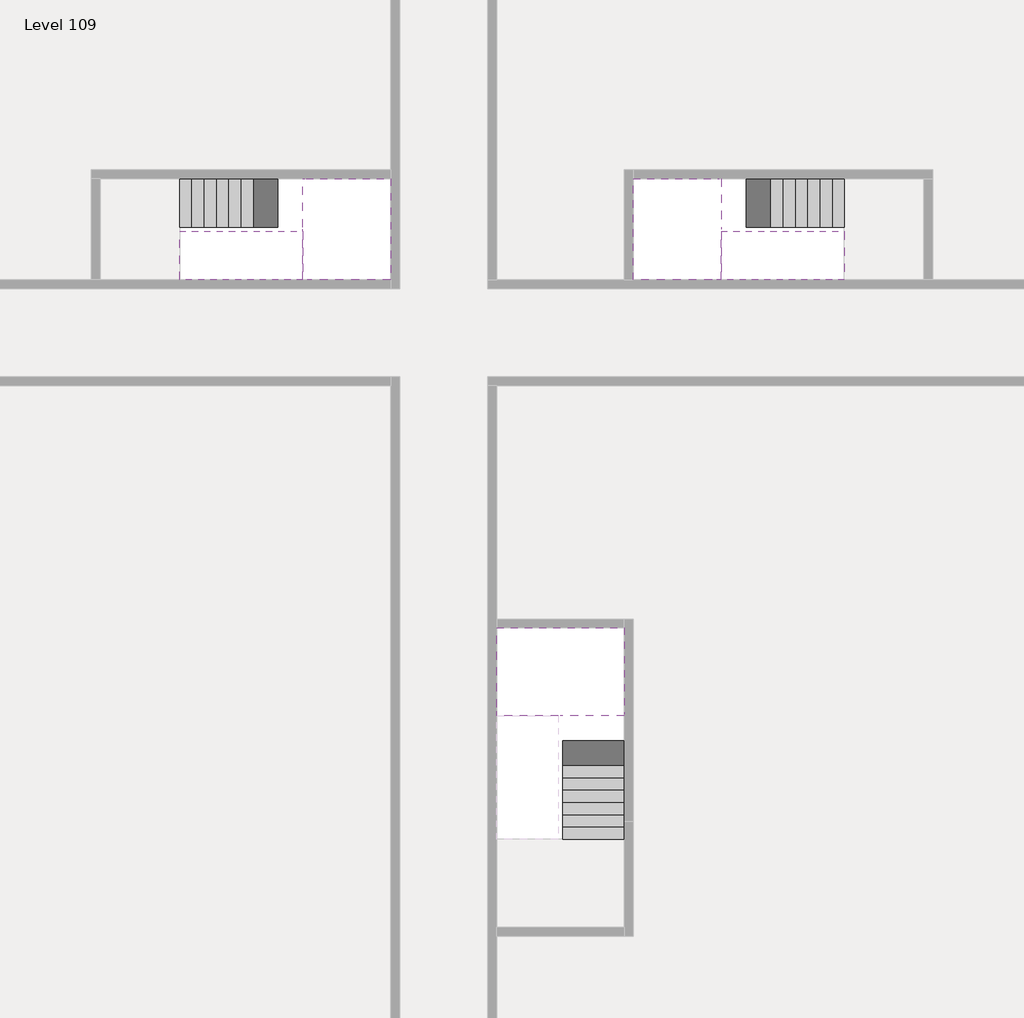
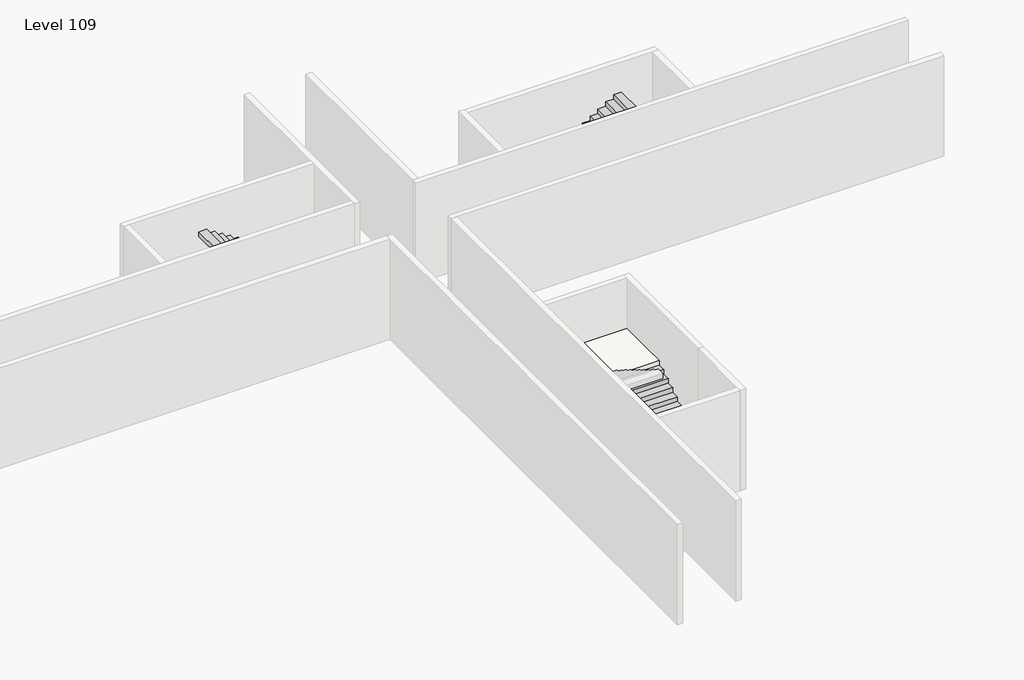
# One storey, part 2 of 2: 5 stair flights, 3 slabs.
"""IFC4 building model written with IfcOpenShell, lengths in millimetres."""

from ifc_helpers import new_model, si_unit, origin, place, context, project, spatial, faceted_brep, element, save

model = new_model("IFC4")

# Units and contexts
model_context = context("Model", 3, world=origin())
ifc_project = project(units=[si_unit("LENGTHUNIT", "METRE", prefix="MILLI")], contexts=[model_context])

# Site, building, storey
site = spatial("IfcSite", under=ifc_project)
building = spatial("IfcBuilding", under=site)
storey = spatial("IfcBuildingStorey", under=building, Name="Level 109", Elevation=410400.0)

# Slabs
placement = place(None, origin())
element("IfcSlab", 1, at=placement, inside=storey, context=model_context, shape_type="Brep", body=[
    faceted_brep([(26890.1058784, -40418.09644, 412300.0), (28290.1058784, -40418.09644, 412300.0), (28290.1058784, -40338.7100038, 412300.0), (28290.1058784, -38418.09644, 412300.0), (25390.1058784, -38418.09644, 412300.0), (25390.1058784, -40217.4828763, 412300.0), (25390.1058784, -40418.09644, 412300.0), (26790.1058784, -40418.09644, 412300.0), (26890.1058784, -40418.09644, 412000.0), (26890.1058784, -40418.09644, 411951.0278478), (28290.1058784, -40418.09644, 411951.0278478), (28290.1058784, -40418.09644, 412127.2727273), (28290.1058784, -40338.7100038, 412000.0), (28290.1058784, -38418.09644, 412000.0), (25390.1058784, -38418.09644, 412000.0), (25390.1058784, -40217.4828763, 412000.0), (25390.1058784, -40418.09644, 412123.7551205), (26790.1058784, -40418.09644, 412123.7551205), (26790.1058784, -40418.09644, 412000.0), (26790.1058784, -40217.4828763, 412000.0), (26890.1058784, -40338.7100038, 412000.0)], [[[0, 1, 2, 3, 4, 5, 6, 7]], [[1, 0, 8, 9, 10, 11]], [[1, 11, 10, 12, 13, 3, 2]], [[4, 3, 13, 14]], [[4, 14, 15, 16, 6, 5]], [[7, 6, 16, 17]], [[0, 7, 17, 18, 8]], [[18, 19, 15, 14, 13, 12, 20, 8]], [[19, 18, 17]], [[20, 12, 10, 9]], [[8, 20, 9]], [[15, 19, 17, 16]]]),
])
element("IfcSlab", 2, at=placement, inside=storey, context=model_context, shape_type="Brep", body=[
    faceted_brep([(20990.1058784, -28218.09644, 412300.0), (20990.1058784, -29318.09644, 412300.0), (20990.1058784, -29418.09644, 412300.0), (20990.1058784, -30518.09644, 412300.0), (21190.7194421, -30518.09644, 412300.0), (22990.1058784, -30518.09644, 412300.0), (22990.1058784, -28218.09644, 412300.0), (21069.4923146, -28218.09644, 412300.0), (20990.1058784, -28218.09644, 412127.2727273), (20990.1058784, -28218.09644, 411951.0278478), (20990.1058784, -29318.09644, 411951.0278478), (20990.1058784, -29318.09644, 412000.0), (20990.1058784, -29418.09644, 412000.0), (20990.1058784, -29418.09644, 412123.7551205), (20990.1058784, -30518.09644, 412123.7551205), (21190.7194421, -30518.09644, 412000.0), (22990.1058784, -30518.09644, 412000.0), (22990.1058784, -28218.09644, 412000.0), (21069.4923146, -28218.09644, 412000.0), (21190.7194421, -29418.09644, 412000.0), (21069.4923146, -29318.09644, 412000.0)], [[[0, 1, 2, 3, 4, 5, 6, 7]], [[1, 0, 8, 9, 10, 11]], [[2, 1, 11, 12, 13]], [[3, 2, 13, 14]], [[3, 14, 15, 16, 5, 4]], [[6, 5, 16, 17]], [[9, 8, 0, 7, 6, 17, 18]], [[19, 12, 11, 20, 18, 17, 16, 15]], [[12, 19, 13]], [[18, 20, 10, 9]], [[20, 11, 10]], [[19, 15, 14, 13]]]),
])
element("IfcSlab", 3, at=placement, inside=storey, context=model_context, shape_type="Brep", body=[
    faceted_brep([(30490.1058784, -29318.09644, 412300.0), (30490.1058784, -28218.09644, 412300.0), (30410.7194421, -28218.09644, 412300.0), (28490.1058784, -28218.09644, 412300.0), (28490.1058784, -30518.09644, 412300.0), (30289.4923146, -30518.09644, 412300.0), (30490.1058784, -30518.09644, 412300.0), (30490.1058784, -29418.09644, 412300.0), (30490.1058784, -29318.09644, 412000.0), (30490.1058784, -29318.09644, 411951.0278478), (30490.1058784, -28218.09644, 411951.0278478), (30490.1058784, -28218.09644, 412127.2727273), (30490.1058784, -29418.09644, 412123.7551205), (30490.1058784, -29418.09644, 412000.0), (30490.1058784, -30518.09644, 412123.7551205), (28490.1058784, -30518.09644, 412000.0), (30289.4923146, -30518.09644, 412000.0), (28490.1058784, -28218.09644, 412000.0), (30410.7194421, -28218.09644, 412000.0), (30289.4923146, -29418.09644, 412000.0), (30410.7194421, -29318.09644, 412000.0)], [[[0, 1, 2, 3, 4, 5, 6, 7]], [[1, 0, 8, 9, 10, 11]], [[0, 7, 12, 13, 8]], [[7, 6, 14, 12]], [[4, 15, 16, 14, 6, 5]], [[4, 3, 17, 15]], [[1, 11, 10, 18, 17, 3, 2]], [[13, 19, 16, 15, 17, 18, 20, 8]], [[20, 18, 10, 9]], [[8, 20, 9]], [[16, 19, 12, 14]], [[19, 13, 12]]]),
])

# Stair flights
element("IfcStairFlight", 4, at=placement, inside=storey, context=model_context, shape_type="Brep", body=[
    faceted_brep([(26890.1058784, -42938.09644, 410572.7272727), (26890.1058784, -43218.09644, 410572.7272727), (28290.1058784, -43218.09644, 410572.7272727), (28290.1058784, -42938.09644, 410572.7272727), (26890.1058784, -42938.09644, 410400.0), (26890.1058784, -43218.09644, 410400.0), (28290.1058784, -43218.09644, 410400.0), (28290.1058784, -42938.09644, 410400.0), (26890.1058784, -42658.09644, 410745.4545455), (26890.1058784, -42938.09644, 410745.4545455), (28290.1058784, -42938.09644, 410745.4545455), (28290.1058784, -42658.09644, 410745.4545455), (26890.1058784, -42658.09644, 410569.209666), (26890.1058784, -42932.3942143, 410400.0), (28290.1058784, -42932.3942143, 410400.0), (28290.1058784, -42658.09644, 410569.209666), (26890.1058784, -42378.09644, 410918.1818182), (26890.1058784, -42658.09644, 410918.1818182), (28290.1058784, -42658.09644, 410918.1818182), (28290.1058784, -42378.09644, 410918.1818182), (26890.1058784, -42378.09644, 410741.9369387), (28290.1058784, -42378.09644, 410741.9369387), (26890.1058784, -42098.09644, 411090.9090909), (26890.1058784, -42378.09644, 411090.9090909), (28290.1058784, -42378.09644, 411090.9090909), (28290.1058784, -42098.09644, 411090.9090909), (26890.1058784, -42098.09644, 410914.6642114), (28290.1058784, -42098.09644, 410914.6642114), (26890.1058784, -41818.09644, 411263.6363636), (26890.1058784, -42098.09644, 411263.6363636), (28290.1058784, -42098.09644, 411263.6363636), (28290.1058784, -41818.09644, 411263.6363636), (26890.1058784, -41818.09644, 411087.3914841), (28290.1058784, -41818.09644, 411087.3914841), (26890.1058784, -41538.09644, 411436.3636364), (26890.1058784, -41818.09644, 411436.3636364), (28290.1058784, -41818.09644, 411436.3636364), (28290.1058784, -41538.09644, 411436.3636364), (26890.1058784, -41538.09644, 411260.1187569), (28290.1058784, -41538.09644, 411260.1187569), (26890.1058784, -41258.09644, 411609.0909091), (26890.1058784, -41538.09644, 411609.0909091), (28290.1058784, -41538.09644, 411609.0909091), (28290.1058784, -41258.09644, 411609.0909091), (26890.1058784, -41258.09644, 411432.8460296), (28290.1058784, -41258.09644, 411432.8460296), (26890.1058784, -40978.09644, 411781.8181818), (26890.1058784, -41258.09644, 411781.8181818), (28290.1058784, -41258.09644, 411781.8181818), (28290.1058784, -40978.09644, 411781.8181818), (26890.1058784, -40978.09644, 411605.5733023), (28290.1058784, -40978.09644, 411605.5733023), (26890.1058784, -40698.09644, 411954.5454545), (26890.1058784, -40978.09644, 411954.5454545), (28290.1058784, -40978.09644, 411954.5454545), (28290.1058784, -40698.09644, 411954.5454545), (26890.1058784, -40698.09644, 411778.3005751), (28290.1058784, -40698.09644, 411778.3005751), (26890.1058784, -40418.09644, 412127.2727273), (26890.1058784, -40698.09644, 412127.2727273), (28290.1058784, -40698.09644, 412127.2727273), (28290.1058784, -40418.09644, 412127.2727273), (26890.1058784, -40418.09644, 412000.0), (26890.1058784, -40418.09644, 411951.0278478), (28290.1058784, -40418.09644, 411951.0278478)], [[[0, 1, 2, 3]], [[1, 0, 4, 5]], [[2, 1, 5, 6]], [[3, 2, 6, 7]], [[8, 9, 10, 11]], [[4, 0, 9, 8, 12, 13]], [[0, 3, 10, 9]], [[3, 7, 14, 15, 11, 10]], [[16, 17, 18, 19]], [[17, 16, 20, 12, 8]], [[8, 11, 18, 17]], [[19, 18, 11, 15, 21]], [[22, 23, 24, 25]], [[23, 22, 26, 20, 16]], [[16, 19, 24, 23]], [[25, 24, 19, 21, 27]], [[28, 29, 30, 31]], [[29, 28, 32, 26, 22]], [[22, 25, 30, 29]], [[31, 30, 25, 27, 33]], [[34, 35, 36, 37]], [[35, 34, 38, 32, 28]], [[28, 31, 36, 35]], [[37, 36, 31, 33, 39]], [[40, 41, 42, 43]], [[41, 40, 44, 38, 34]], [[34, 37, 42, 41]], [[43, 42, 37, 39, 45]], [[46, 47, 48, 49]], [[47, 46, 50, 44, 40]], [[40, 43, 48, 47]], [[49, 48, 43, 45, 51]], [[52, 53, 54, 55]], [[53, 52, 56, 50, 46]], [[46, 49, 54, 53]], [[55, 54, 49, 51, 57]], [[58, 59, 60, 61]], [[59, 58, 62, 63, 56, 52]], [[52, 55, 60, 59]], [[61, 60, 55, 57, 64]], [[58, 61, 64, 63, 62]], [[5, 4, 13, 14, 7, 6]], [[14, 13, 12, 20, 26, 32, 38, 44, 50, 56, 63, 64, 57, 51, 45, 39, 33, 27, 21, 15]]]),
])
element("IfcStairFlight", 5, at=placement, inside=storey, context=model_context, shape_type="Brep", body=[
    faceted_brep([(18470.1058784, -28218.09644, 410572.7272727), (18190.1058784, -28218.09644, 410572.7272727), (18190.1058784, -29318.09644, 410572.7272727), (18470.1058784, -29318.09644, 410572.7272727), (18470.1058784, -28218.09644, 410400.0), (18190.1058784, -28218.09644, 410400.0), (18190.1058784, -29318.09644, 410400.0), (18470.1058784, -29318.09644, 410400.0), (18750.1058784, -28218.09644, 410745.4545455), (18470.1058784, -28218.09644, 410745.4545455), (18470.1058784, -29318.09644, 410745.4545455), (18750.1058784, -29318.09644, 410745.4545455), (18750.1058784, -28218.09644, 410569.209666), (18475.8081041, -28218.09644, 410400.0), (18475.8081041, -29318.09644, 410400.0), (18750.1058784, -29318.09644, 410569.209666), (19030.1058784, -28218.09644, 410918.1818182), (18750.1058784, -28218.09644, 410918.1818182), (18750.1058784, -29318.09644, 410918.1818182), (19030.1058784, -29318.09644, 410918.1818182), (19030.1058784, -28218.09644, 410741.9369387), (19030.1058784, -29318.09644, 410741.9369387), (19310.1058784, -28218.09644, 411090.9090909), (19030.1058784, -28218.09644, 411090.9090909), (19030.1058784, -29318.09644, 411090.9090909), (19310.1058784, -29318.09644, 411090.9090909), (19310.1058784, -28218.09644, 410914.6642114), (19310.1058784, -29318.09644, 410914.6642114), (19590.1058784, -28218.09644, 411263.6363636), (19310.1058784, -28218.09644, 411263.6363636), (19310.1058784, -29318.09644, 411263.6363636), (19590.1058784, -29318.09644, 411263.6363636), (19590.1058784, -28218.09644, 411087.3914841), (19590.1058784, -29318.09644, 411087.3914841), (19870.1058784, -28218.09644, 411436.3636364), (19590.1058784, -28218.09644, 411436.3636364), (19590.1058784, -29318.09644, 411436.3636364), (19870.1058784, -29318.09644, 411436.3636364), (19870.1058784, -28218.09644, 411260.1187569), (19870.1058784, -29318.09644, 411260.1187569), (20150.1058784, -28218.09644, 411609.0909091), (19870.1058784, -28218.09644, 411609.0909091), (19870.1058784, -29318.09644, 411609.0909091), (20150.1058784, -29318.09644, 411609.0909091), (20150.1058784, -28218.09644, 411432.8460296), (20150.1058784, -29318.09644, 411432.8460296), (20430.1058784, -28218.09644, 411781.8181818), (20150.1058784, -28218.09644, 411781.8181818), (20150.1058784, -29318.09644, 411781.8181818), (20430.1058784, -29318.09644, 411781.8181818), (20430.1058784, -28218.09644, 411605.5733023), (20430.1058784, -29318.09644, 411605.5733023), (20710.1058784, -28218.09644, 411954.5454545), (20430.1058784, -28218.09644, 411954.5454545), (20430.1058784, -29318.09644, 411954.5454545), (20710.1058784, -29318.09644, 411954.5454545), (20710.1058784, -28218.09644, 411778.3005751), (20710.1058784, -29318.09644, 411778.3005751), (20990.1058784, -28218.09644, 412127.2727273), (20710.1058784, -28218.09644, 412127.2727273), (20710.1058784, -29318.09644, 412127.2727273), (20990.1058784, -29318.09644, 412127.2727273), (20990.1058784, -28218.09644, 411951.0278478), (20990.1058784, -29318.09644, 411951.0278478), (20990.1058784, -29318.09644, 412000.0)], [[[0, 1, 2, 3]], [[1, 0, 4, 5]], [[2, 1, 5, 6]], [[3, 2, 6, 7]], [[8, 9, 10, 11]], [[4, 0, 9, 8, 12, 13]], [[0, 3, 10, 9]], [[3, 7, 14, 15, 11, 10]], [[16, 17, 18, 19]], [[17, 16, 20, 12, 8]], [[8, 11, 18, 17]], [[19, 18, 11, 15, 21]], [[22, 23, 24, 25]], [[23, 22, 26, 20, 16]], [[16, 19, 24, 23]], [[25, 24, 19, 21, 27]], [[28, 29, 30, 31]], [[29, 28, 32, 26, 22]], [[22, 25, 30, 29]], [[31, 30, 25, 27, 33]], [[34, 35, 36, 37]], [[35, 34, 38, 32, 28]], [[28, 31, 36, 35]], [[37, 36, 31, 33, 39]], [[40, 41, 42, 43]], [[41, 40, 44, 38, 34]], [[34, 37, 42, 41]], [[43, 42, 37, 39, 45]], [[46, 47, 48, 49]], [[47, 46, 50, 44, 40]], [[40, 43, 48, 47]], [[49, 48, 43, 45, 51]], [[52, 53, 54, 55]], [[53, 52, 56, 50, 46]], [[46, 49, 54, 53]], [[55, 54, 49, 51, 57]], [[58, 59, 60, 61]], [[59, 58, 62, 56, 52]], [[52, 55, 60, 59]], [[61, 60, 55, 57, 63, 64]], [[58, 61, 64, 63, 62]], [[5, 4, 13, 14, 7, 6]], [[14, 13, 12, 20, 26, 32, 38, 44, 50, 56, 62, 63, 57, 51, 45, 39, 33, 27, 21, 15]]]),
])
element("IfcStairFlight", 6, at=placement, inside=storey, context=model_context, shape_type="Brep", body=[
    faceted_brep([(20710.1058784, -30518.09644, 412472.7272727), (20990.1058784, -30518.09644, 412472.7272727), (20990.1058784, -29418.09644, 412472.7272727), (20710.1058784, -29418.09644, 412472.7272727), (20710.1058784, -30518.09644, 412296.4823932), (20990.1058784, -30518.09644, 412123.7551205), (20990.1058784, -30518.09644, 412300.0), (20990.1058784, -29418.09644, 412123.7551205), (20710.1058784, -29418.09644, 412296.4823932), (20430.1058784, -30518.09644, 412645.4545455), (20710.1058784, -30518.09644, 412645.4545455), (20710.1058784, -29418.09644, 412645.4545455), (20430.1058784, -29418.09644, 412645.4545455), (20430.1058784, -30518.09644, 412469.209666), (20430.1058784, -29418.09644, 412469.209666), (20150.1058784, -30518.09644, 412818.1818182), (20430.1058784, -30518.09644, 412818.1818182), (20430.1058784, -29418.09644, 412818.1818182), (20150.1058784, -29418.09644, 412818.1818182), (20150.1058784, -30518.09644, 412641.9369387), (20150.1058784, -29418.09644, 412641.9369387), (19870.1058784, -30518.09644, 412990.9090909), (20150.1058784, -30518.09644, 412990.9090909), (20150.1058784, -29418.09644, 412990.9090909), (19870.1058784, -29418.09644, 412990.9090909), (19870.1058784, -30518.09644, 412814.6642114), (19870.1058784, -29418.09644, 412814.6642114), (19590.1058784, -30518.09644, 413163.6363636), (19870.1058784, -30518.09644, 413163.6363636), (19870.1058784, -29418.09644, 413163.6363636), (19590.1058784, -29418.09644, 413163.6363636), (19590.1058784, -30518.09644, 412987.3914841), (19590.1058784, -29418.09644, 412987.3914841), (19310.1058784, -30518.09644, 413336.3636364), (19590.1058784, -30518.09644, 413336.3636364), (19590.1058784, -29418.09644, 413336.3636364), (19310.1058784, -29418.09644, 413336.3636364), (19310.1058784, -30518.09644, 413160.1187569), (19310.1058784, -29418.09644, 413160.1187569), (19030.1058784, -30518.09644, 413509.0909091), (19310.1058784, -30518.09644, 413509.0909091), (19310.1058784, -29418.09644, 413509.0909091), (19030.1058784, -29418.09644, 413509.0909091), (19030.1058784, -30518.09644, 413332.8460296), (19030.1058784, -29418.09644, 413332.8460296), (18750.1058784, -30518.09644, 413681.8181818), (19030.1058784, -30518.09644, 413681.8181818), (19030.1058784, -29418.09644, 413681.8181818), (18750.1058784, -29418.09644, 413681.8181818), (18750.1058784, -30518.09644, 413505.5733023), (18750.1058784, -29418.09644, 413505.5733023), (18470.1058784, -30518.09644, 413854.5454545), (18750.1058784, -30518.09644, 413854.5454545), (18750.1058784, -29418.09644, 413854.5454545), (18470.1058784, -29418.09644, 413854.5454545), (18470.1058784, -30518.09644, 413678.3005751), (18470.1058784, -29418.09644, 413678.3005751), (18190.1058784, -30518.09644, 414027.2727273), (18470.1058784, -30518.09644, 414027.2727273), (18470.1058784, -29418.09644, 414027.2727273), (18190.1058784, -29418.09644, 414027.2727273), (18190.1058784, -30518.09644, 413851.0278478), (18190.1058784, -29418.09644, 413851.0278478)], [[[0, 1, 2, 3]], [[1, 0, 4, 5, 6]], [[2, 1, 6, 5, 7]], [[3, 2, 7, 8]], [[9, 10, 11, 12]], [[10, 9, 13, 4, 0]], [[11, 10, 0, 3]], [[12, 11, 3, 8, 14]], [[15, 16, 17, 18]], [[16, 15, 19, 13, 9]], [[17, 16, 9, 12]], [[18, 17, 12, 14, 20]], [[21, 22, 23, 24]], [[22, 21, 25, 19, 15]], [[23, 22, 15, 18]], [[24, 23, 18, 20, 26]], [[27, 28, 29, 30]], [[28, 27, 31, 25, 21]], [[29, 28, 21, 24]], [[30, 29, 24, 26, 32]], [[33, 34, 35, 36]], [[34, 33, 37, 31, 27]], [[35, 34, 27, 30]], [[36, 35, 30, 32, 38]], [[39, 40, 41, 42]], [[40, 39, 43, 37, 33]], [[41, 40, 33, 36]], [[42, 41, 36, 38, 44]], [[45, 46, 47, 48]], [[46, 45, 49, 43, 39]], [[47, 46, 39, 42]], [[48, 47, 42, 44, 50]], [[51, 52, 53, 54]], [[52, 51, 55, 49, 45]], [[53, 52, 45, 48]], [[54, 53, 48, 50, 56]], [[57, 58, 59, 60]], [[58, 57, 61, 55, 51]], [[59, 58, 51, 54]], [[60, 59, 54, 56, 62]], [[57, 60, 62, 61]], [[5, 4, 13, 19, 25, 31, 37, 43, 49, 55, 61, 62, 56, 50, 44, 38, 32, 26, 20, 14, 8, 7]]]),
])
element("IfcStairFlight", 7, at=placement, inside=storey, context=model_context, shape_type="Brep", body=[
    faceted_brep([(33010.1058784, -29318.09644, 410572.7272727), (33290.1058784, -29318.09644, 410572.7272727), (33290.1058784, -28218.09644, 410572.7272727), (33010.1058784, -28218.09644, 410572.7272727), (33290.1058784, -28218.09644, 410400.0), (33010.1058784, -28218.09644, 410400.0), (33290.1058784, -29318.09644, 410400.0), (33010.1058784, -29318.09644, 410400.0), (32730.1058784, -29318.09644, 410745.4545455), (33010.1058784, -29318.09644, 410745.4545455), (33010.1058784, -28218.09644, 410745.4545455), (32730.1058784, -28218.09644, 410745.4545455), (33004.4036527, -28218.09644, 410400.0), (32730.1058784, -28218.09644, 410569.209666), (32730.1058784, -29318.09644, 410569.209666), (33004.4036527, -29318.09644, 410400.0), (32450.1058784, -29318.09644, 410918.1818182), (32730.1058784, -29318.09644, 410918.1818182), (32730.1058784, -28218.09644, 410918.1818182), (32450.1058784, -28218.09644, 410918.1818182), (32450.1058784, -28218.09644, 410741.9369387), (32450.1058784, -29318.09644, 410741.9369387), (32170.1058784, -29318.09644, 411090.9090909), (32450.1058784, -29318.09644, 411090.9090909), (32450.1058784, -28218.09644, 411090.9090909), (32170.1058784, -28218.09644, 411090.9090909), (32170.1058784, -28218.09644, 410914.6642114), (32170.1058784, -29318.09644, 410914.6642114), (31890.1058784, -29318.09644, 411263.6363636), (32170.1058784, -29318.09644, 411263.6363636), (32170.1058784, -28218.09644, 411263.6363636), (31890.1058784, -28218.09644, 411263.6363636), (31890.1058784, -28218.09644, 411087.3914841), (31890.1058784, -29318.09644, 411087.3914841), (31610.1058784, -29318.09644, 411436.3636364), (31890.1058784, -29318.09644, 411436.3636364), (31890.1058784, -28218.09644, 411436.3636364), (31610.1058784, -28218.09644, 411436.3636364), (31610.1058784, -28218.09644, 411260.1187569), (31610.1058784, -29318.09644, 411260.1187569), (31330.1058784, -29318.09644, 411609.0909091), (31610.1058784, -29318.09644, 411609.0909091), (31610.1058784, -28218.09644, 411609.0909091), (31330.1058784, -28218.09644, 411609.0909091), (31330.1058784, -28218.09644, 411432.8460296), (31330.1058784, -29318.09644, 411432.8460296), (31050.1058784, -29318.09644, 411781.8181818), (31330.1058784, -29318.09644, 411781.8181818), (31330.1058784, -28218.09644, 411781.8181818), (31050.1058784, -28218.09644, 411781.8181818), (31050.1058784, -28218.09644, 411605.5733023), (31050.1058784, -29318.09644, 411605.5733023), (30770.1058784, -29318.09644, 411954.5454545), (31050.1058784, -29318.09644, 411954.5454545), (31050.1058784, -28218.09644, 411954.5454545), (30770.1058784, -28218.09644, 411954.5454545), (30770.1058784, -28218.09644, 411778.3005751), (30770.1058784, -29318.09644, 411778.3005751), (30490.1058784, -29318.09644, 412127.2727273), (30770.1058784, -29318.09644, 412127.2727273), (30770.1058784, -28218.09644, 412127.2727273), (30490.1058784, -28218.09644, 412127.2727273), (30490.1058784, -28218.09644, 411951.0278478), (30490.1058784, -29318.09644, 412000.0), (30490.1058784, -29318.09644, 411951.0278478)], [[[0, 1, 2, 3]], [[3, 2, 4, 5]], [[2, 1, 6, 4]], [[1, 0, 7, 6]], [[8, 9, 10, 11]], [[3, 5, 12, 13, 11, 10]], [[0, 3, 10, 9]], [[7, 0, 9, 8, 14, 15]], [[16, 17, 18, 19]], [[19, 18, 11, 13, 20]], [[8, 11, 18, 17]], [[17, 16, 21, 14, 8]], [[22, 23, 24, 25]], [[25, 24, 19, 20, 26]], [[16, 19, 24, 23]], [[23, 22, 27, 21, 16]], [[28, 29, 30, 31]], [[31, 30, 25, 26, 32]], [[22, 25, 30, 29]], [[29, 28, 33, 27, 22]], [[34, 35, 36, 37]], [[37, 36, 31, 32, 38]], [[28, 31, 36, 35]], [[35, 34, 39, 33, 28]], [[40, 41, 42, 43]], [[43, 42, 37, 38, 44]], [[34, 37, 42, 41]], [[41, 40, 45, 39, 34]], [[46, 47, 48, 49]], [[49, 48, 43, 44, 50]], [[40, 43, 48, 47]], [[47, 46, 51, 45, 40]], [[52, 53, 54, 55]], [[55, 54, 49, 50, 56]], [[46, 49, 54, 53]], [[53, 52, 57, 51, 46]], [[58, 59, 60, 61]], [[61, 60, 55, 56, 62]], [[52, 55, 60, 59]], [[59, 58, 63, 64, 57, 52]], [[58, 61, 62, 64, 63]], [[6, 7, 15, 12, 5, 4]], [[12, 15, 14, 21, 27, 33, 39, 45, 51, 57, 64, 62, 56, 50, 44, 38, 32, 26, 20, 13]]]),
])
element("IfcStairFlight", 8, at=placement, inside=storey, context=model_context, shape_type="Brep", body=[
    faceted_brep([(30770.1058784, -29418.09644, 412472.7272727), (30490.1058784, -29418.09644, 412472.7272727), (30490.1058784, -30518.09644, 412472.7272727), (30770.1058784, -30518.09644, 412472.7272727), (30490.1058784, -30518.09644, 412300.0), (30490.1058784, -30518.09644, 412123.7551205), (30770.1058784, -30518.09644, 412296.4823932), (30490.1058784, -29418.09644, 412123.7551205), (30770.1058784, -29418.09644, 412296.4823932), (31050.1058784, -29418.09644, 412645.4545455), (30770.1058784, -29418.09644, 412645.4545455), (30770.1058784, -30518.09644, 412645.4545455), (31050.1058784, -30518.09644, 412645.4545455), (31050.1058784, -30518.09644, 412469.209666), (31050.1058784, -29418.09644, 412469.209666), (31330.1058784, -29418.09644, 412818.1818182), (31050.1058784, -29418.09644, 412818.1818182), (31050.1058784, -30518.09644, 412818.1818182), (31330.1058784, -30518.09644, 412818.1818182), (31330.1058784, -30518.09644, 412641.9369387), (31330.1058784, -29418.09644, 412641.9369387), (31610.1058784, -29418.09644, 412990.9090909), (31330.1058784, -29418.09644, 412990.9090909), (31330.1058784, -30518.09644, 412990.9090909), (31610.1058784, -30518.09644, 412990.9090909), (31610.1058784, -30518.09644, 412814.6642114), (31610.1058784, -29418.09644, 412814.6642114), (31890.1058784, -29418.09644, 413163.6363636), (31610.1058784, -29418.09644, 413163.6363636), (31610.1058784, -30518.09644, 413163.6363636), (31890.1058784, -30518.09644, 413163.6363636), (31890.1058784, -30518.09644, 412987.3914841), (31890.1058784, -29418.09644, 412987.3914841), (32170.1058784, -29418.09644, 413336.3636364), (31890.1058784, -29418.09644, 413336.3636364), (31890.1058784, -30518.09644, 413336.3636364), (32170.1058784, -30518.09644, 413336.3636364), (32170.1058784, -30518.09644, 413160.1187569), (32170.1058784, -29418.09644, 413160.1187569), (32450.1058784, -29418.09644, 413509.0909091), (32170.1058784, -29418.09644, 413509.0909091), (32170.1058784, -30518.09644, 413509.0909091), (32450.1058784, -30518.09644, 413509.0909091), (32450.1058784, -30518.09644, 413332.8460296), (32450.1058784, -29418.09644, 413332.8460296), (32730.1058784, -29418.09644, 413681.8181818), (32450.1058784, -29418.09644, 413681.8181818), (32450.1058784, -30518.09644, 413681.8181818), (32730.1058784, -30518.09644, 413681.8181818), (32730.1058784, -30518.09644, 413505.5733023), (32730.1058784, -29418.09644, 413505.5733023), (33010.1058784, -29418.09644, 413854.5454545), (32730.1058784, -29418.09644, 413854.5454545), (32730.1058784, -30518.09644, 413854.5454545), (33010.1058784, -30518.09644, 413854.5454545), (33010.1058784, -30518.09644, 413678.3005751), (33010.1058784, -29418.09644, 413678.3005751), (33290.1058784, -29418.09644, 414027.2727273), (33010.1058784, -29418.09644, 414027.2727273), (33010.1058784, -30518.09644, 414027.2727273), (33290.1058784, -30518.09644, 414027.2727273), (33290.1058784, -30518.09644, 413851.0278478), (33290.1058784, -29418.09644, 413851.0278478)], [[[0, 1, 2, 3]], [[3, 2, 4, 5, 6]], [[2, 1, 7, 5, 4]], [[1, 0, 8, 7]], [[9, 10, 11, 12]], [[12, 11, 3, 6, 13]], [[11, 10, 0, 3]], [[10, 9, 14, 8, 0]], [[15, 16, 17, 18]], [[18, 17, 12, 13, 19]], [[17, 16, 9, 12]], [[16, 15, 20, 14, 9]], [[21, 22, 23, 24]], [[24, 23, 18, 19, 25]], [[23, 22, 15, 18]], [[22, 21, 26, 20, 15]], [[27, 28, 29, 30]], [[30, 29, 24, 25, 31]], [[29, 28, 21, 24]], [[28, 27, 32, 26, 21]], [[33, 34, 35, 36]], [[36, 35, 30, 31, 37]], [[35, 34, 27, 30]], [[34, 33, 38, 32, 27]], [[39, 40, 41, 42]], [[42, 41, 36, 37, 43]], [[41, 40, 33, 36]], [[40, 39, 44, 38, 33]], [[45, 46, 47, 48]], [[48, 47, 42, 43, 49]], [[47, 46, 39, 42]], [[46, 45, 50, 44, 39]], [[51, 52, 53, 54]], [[54, 53, 48, 49, 55]], [[53, 52, 45, 48]], [[52, 51, 56, 50, 45]], [[57, 58, 59, 60]], [[60, 59, 54, 55, 61]], [[59, 58, 51, 54]], [[58, 57, 62, 56, 51]], [[57, 60, 61, 62]], [[7, 8, 14, 20, 26, 32, 38, 44, 50, 56, 62, 61, 55, 49, 43, 37, 31, 25, 19, 13, 6, 5]]]),
])

save(model, "model.ifc")
